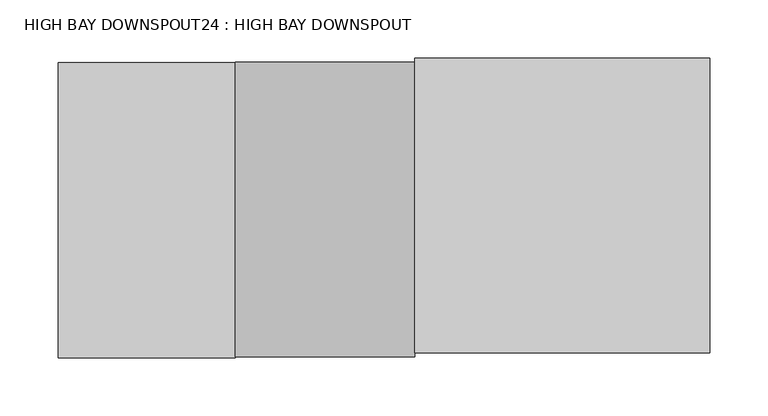
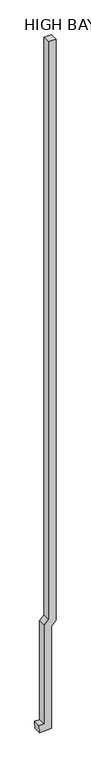
"""IFC4 building model written with IfcOpenShell, lengths in millimetres: proxy geometry, HIGH BAY DOWNSPOUT24 : HIGH BAY DOWNSPOUT."""

from ifc_helpers import new_model, si_unit, frame, origin, place, context, project, spatial, polyline, outline, extrude, source, transform, mapped, element, save


def high_bay_downspout24_high_bay_downspout_85462c24(model_context):
    return source(origin(), model_context, "Body", "SweptSolid", [
        extrude(outline(polyline([(3812.8952871, 378660.7246933), (23981.2953907, 378660.7246933), (23981.2953907, 378406.7246933), (3942.9926874, 378406.7246933), (3788.695375, 378252.4273809), (364.6303549, 378252.4273809), (355.1053549, 378100.0273809), (101.6, 378115.8714656), (126.0097447, 378506.4273809), (3658.5979747, 378506.4273809), (3812.8952871, 378660.7246933)])), frame((0.0, -40280.131824, 0.0), z_axis=(0.0, 1.0, 0.0), x_axis=(0.0, 0.0, 1.0)), (0.0, 0.0, 1.0), 254.0),
    ])


if __name__ == "__main__":
    model = new_model("IFC4")
    model_context = context("Model", 3, world=origin())
    ifc_project = project(units=[si_unit("LENGTHUNIT", "METRE", prefix="MILLI")], contexts=[model_context])
    site = spatial("IfcSite", under=ifc_project)
    building = spatial("IfcBuilding", under=site)
    placement = place(None, origin())
    high_bay_downspout24_high_bay_downspout_shape = high_bay_downspout24_high_bay_downspout_85462c24(model_context)
    element("IfcBuildingElementProxy", 1, Name="HIGH BAY DOWNSPOUT24 : HIGH BAY DOWNSPOUT", ObjectType="HIGH BAY DOWNSPOUT24 : HIGH BAY DOWNSPOUT", at=placement, inside=building, context=model_context, shape_type="MappedRepresentation", body=[
        mapped(high_bay_downspout24_high_bay_downspout_shape, transform((0.0, 0.0, 0.0), x_axis=(1.0, 0.0, 0.0), y_axis=(0.0, 1.0, 0.0), z_axis=(0.0, 0.0, 1.0))),
    ])
    save(model, "model.ifc")
